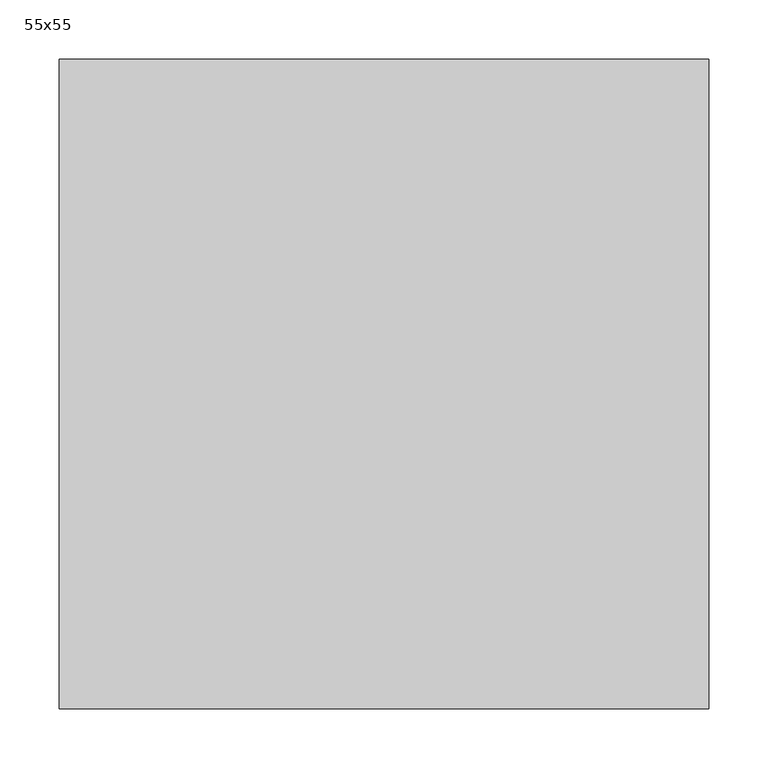
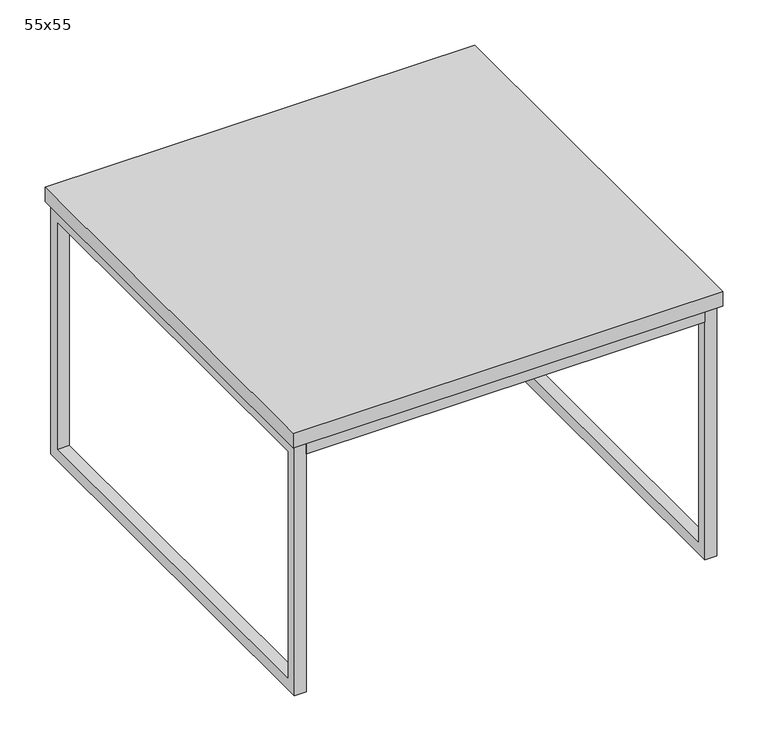
"""IFC4 building model written with IfcOpenShell, lengths in millimetres: furniture geometry, 55x55."""

import ifcopenshell
import ifcopenshell.guid

model = None  # the IFC model being written
_history = None  # IfcOwnerHistory: only IFC2X3 demands one
_inside = {}  # id of a spatial element -> (the spatial element, [elements in it])
_under = {}  # id of a project, library or spatial element -> (it, [spatial elements below it])
_declared = {}  # id of a project -> (the project, [libraries it declares])
_typed = {}  # id of a type object -> (the type object, [elements of that type])
_made_of = {}  # id of a material, layer set ... -> (it, [elements and type objects made of it])


def new_model(schema):
    """Start an empty IFC model of exactly this schema.

    Asked for "IFC4X3", IfcOpenShell would pick the latest addendum, in which some entities
    have other attributes; the version numbers below select the first issue.
    IFC2X3 requires an IfcOwnerHistory on every rooted entity: one is made here for all.
    """
    global model, _history
    if schema == "IFC4X3":
        model = ifcopenshell.file(schema_version=(4, 3, 0, 0))
    else:
        model = ifcopenshell.file(schema=schema)
    _inside.clear()
    _under.clear()
    _declared.clear()
    _typed.clear()
    _made_of.clear()
    _history = None
    if model.schema == "IFC2X3":
        org = make("IfcOrganization", Name="unknown")
        user = make(
            "IfcPersonAndOrganization",
            ThePerson=make("IfcPerson", FamilyName="unknown"),
            TheOrganization=org,
        )
        app = make(
            "IfcApplication",
            ApplicationDeveloper=org,
            Version="unknown",
            ApplicationFullName="unknown",
            ApplicationIdentifier="unknown",
        )
        _history = make(
            "IfcOwnerHistory",
            OwningUser=user,
            OwningApplication=app,
            ChangeAction="ADDED",
            CreationDate=0,
        )
    return model


def make(cls, **values):
    """One entity of the class cls with the attributes given. An attribute that is None is left unset."""
    return model.create_entity(
        cls, **{name: value for name, value in values.items() if value is not None}
    )


def rooted(cls, **values):
    """An entity with a GlobalId (a new one), such as an element, a storey or a relation."""
    return make(cls, GlobalId=ifcopenshell.guid.new(), OwnerHistory=_history, **values)


def si_unit(unit_type, name, prefix=None):
    """IfcSIUnit, for example si_unit("LENGTHUNIT", "METRE", prefix="MILLI")."""
    return make("IfcSIUnit", UnitType=unit_type, Prefix=prefix, Name=name)


def assignment(units):
    """IfcUnitAssignment: the units of a project."""
    return None if units is None else make("IfcUnitAssignment", Units=units)


def point(xyz):
    """IfcCartesianPoint."""
    return None if xyz is None else make("IfcCartesianPoint", Coordinates=xyz)


def direction(xyz):
    """IfcDirection."""
    return None if xyz is None else make("IfcDirection", DirectionRatios=xyz)


def frame(location, z_axis=None, x_axis=None):
    """IfcAxis2Placement3D, a coordinate frame: its origin and axes. An axis left out is left unset."""
    return make(
        "IfcAxis2Placement3D",
        Location=point(location),
        Axis=direction(z_axis),
        RefDirection=direction(x_axis),
    )


def frame_2d(location, x_axis=None):
    """IfcAxis2Placement2D, a coordinate frame in the plane: its origin and x axis."""
    return make(
        "IfcAxis2Placement2D", Location=point(location), RefDirection=direction(x_axis)
    )


def origin():
    """The frame at (0, 0, 0) with its axes left unset."""
    return frame((0.0, 0.0, 0.0))


def place(relative_to, where):
    """IfcLocalPlacement: puts the frame where relative to a parent placement (None: the world)."""
    return make(
        "IfcLocalPlacement", PlacementRelTo=relative_to, RelativePlacement=where
    )


def context(
    kind, dimensions, precision=None, world=None, true_north=None, identifier=None
):
    """IfcGeometricRepresentationContext, for example the 3D "Model" context."""
    return make(
        "IfcGeometricRepresentationContext",
        ContextIdentifier=identifier,
        ContextType=kind,
        CoordinateSpaceDimension=dimensions,
        Precision=precision,
        WorldCoordinateSystem=world,
        TrueNorth=true_north,
    )


def project(units=None, contexts=None):
    """IfcProject with its units and contexts."""
    return rooted(
        "IfcProject",
        Name="project",
        RepresentationContexts=contexts,
        UnitsInContext=assignment(units),
    )


def spatial(cls, under=None, at=None, **own):
    """A site, building, storey or space (cls), placed at a placement, below another one or the project."""
    s = rooted(cls, ObjectPlacement=at, **own)
    if under is not None:
        _under.setdefault(under.id(), (under, []))[1].append(s)
    return s


def polyline(points):
    """IfcPolyline through the points."""
    return make("IfcPolyline", Points=[point(p) for p in points])


def circle_curve(where, radius):
    """IfcCircle in the frame where."""
    return make("IfcCircle", Position=where, Radius=radius)


def trimmed(basis, trim1, trim2, sense, master):
    """IfcTrimmedCurve: the piece of a basis curve between two trims."""
    return make(
        "IfcTrimmedCurve",
        BasisCurve=basis,
        Trim1=trim1,
        Trim2=trim2,
        SenseAgreement=sense,
        MasterRepresentation=master,
    )


def segment(curve, same_sense, transition):
    """IfcCompositeCurveSegment."""
    return make(
        "IfcCompositeCurveSegment",
        Transition=transition,
        SameSense=same_sense,
        ParentCurve=curve,
    )


def composite_curve(segments, self_intersect=None):
    """IfcCompositeCurve: segments joined end to end."""
    return make("IfcCompositeCurve", Segments=segments, SelfIntersect=self_intersect)


def outline(outer, holes=None, kind="AREA"):
    """IfcArbitraryClosedProfileDef: a profile drawn as a closed curve; with holes, ...WithVoids."""
    if holes is None:
        return make("IfcArbitraryClosedProfileDef", ProfileType=kind, OuterCurve=outer)
    return make(
        "IfcArbitraryProfileDefWithVoids",
        ProfileType=kind,
        OuterCurve=outer,
        InnerCurves=holes,
    )


def extrude(swept, where, along, depth):
    """IfcExtrudedAreaSolid: the profile swept, set in the frame where, extruded along a direction by depth."""
    return make(
        "IfcExtrudedAreaSolid",
        SweptArea=swept,
        Position=where,
        ExtrudedDirection=direction(along),
        Depth=depth,
    )


def shape(context_of_items, identifier, shape_type, items):
    """IfcShapeRepresentation: the items that make up one representation, for example the "Body"."""
    return make(
        "IfcShapeRepresentation",
        ContextOfItems=context_of_items,
        RepresentationIdentifier=identifier,
        RepresentationType=shape_type,
        Items=items,
    )


def source(mapping_origin, context_of_items, identifier, shape_type, items):
    """IfcRepresentationMap: a shape defined once, which mapped items show again and again."""
    return make(
        "IfcRepresentationMap",
        MappingOrigin=mapping_origin,
        MappedRepresentation=shape(context_of_items, identifier, shape_type, items),
    )


def transform(
    local_origin,
    x_axis=None,
    y_axis=None,
    z_axis=None,
    scale=None,
    scale2=None,
    scale3=None,
    uniform=True,
):
    """IfcCartesianTransformationOperator3D, or its non-uniform kind. x_axis, y_axis, z_axis: its Axis1, 2, 3."""
    if uniform:
        return make(
            "IfcCartesianTransformationOperator3D",
            Axis1=direction(x_axis),
            Axis2=direction(y_axis),
            LocalOrigin=point(local_origin),
            Scale=scale,
            Axis3=direction(z_axis),
        )
    return make(
        "IfcCartesianTransformationOperator3DnonUniform",
        Axis1=direction(x_axis),
        Axis2=direction(y_axis),
        LocalOrigin=point(local_origin),
        Scale=scale,
        Axis3=direction(z_axis),
        Scale2=scale2,
        Scale3=scale3,
    )


def mapped(mapping_source, mapping_target):
    """IfcMappedItem: shows the shape of a source again, moved by a transform."""
    return make(
        "IfcMappedItem", MappingSource=mapping_source, MappingTarget=mapping_target
    )


def made_of(thing, what):
    """Note that an element or type object is made of a material, layer set ...; save() writes the relation."""
    if what is not None:
        _made_of.setdefault(what.id(), (what, []))[1].append(thing)
    return thing


def element(
    cls,
    number,
    at=None,
    inside=None,
    cuts=None,
    type_object=None,
    material=None,
    context=None,
    identifier="Body",
    shape_type=None,
    held_by="IfcProductDefinitionShape",
    body=None,
    shapes=None,
    **own,
):
    """One element of the class cls, such as IfcWall. Its Tag is "e" and its number.

    at: its placement. inside: the storey or other place that contains it. cuts: it is an
    opening in that element (IfcRelVoidsElement). A single representation is given by context,
    identifier, shape_type and body (its items); several are given by shapes. held_by: the class
    of the entity that holds the representations. save() writes the other relations.
    """
    e = rooted(cls, Tag="e%d" % number, ObjectPlacement=at, **own)
    if body is not None:
        shapes = [shape(context, identifier, shape_type, body)]
    if shapes is not None:
        e.Representation = make(held_by, Representations=shapes)
    if inside is not None:
        _inside.setdefault(inside.id(), (inside, []))[1].append(e)
    if cuts is not None:
        rooted(
            "IfcRelVoidsElement", RelatingBuildingElement=cuts, RelatedOpeningElement=e
        )
    if type_object is not None:
        _typed.setdefault(type_object.id(), (type_object, []))[1].append(e)
    return made_of(e, material)


def aggregate(whole, parts):
    """IfcRelAggregates: a whole, such as a stair, and the parts it consists of."""
    return rooted("IfcRelAggregates", RelatingObject=whole, RelatedObjects=parts)


def save(model, path):
    """Write the relations noted so far, then the file.

    IfcRelAggregates (storeys below a building ...), IfcRelContainedInSpatialStructure (elements
    in a storey), IfcRelDefinesByType, IfcRelAssociatesMaterial and IfcRelDeclares: one each for
    every whole, place, type object, material and project.
    """
    for whole, parts in _under.values():
        aggregate(whole, parts)
    for where, things in _inside.values():
        rooted(
            "IfcRelContainedInSpatialStructure",
            RelatedElements=things,
            RelatingStructure=where,
        )
    for kind, things in _typed.values():
        rooted("IfcRelDefinesByType", RelatedObjects=things, RelatingType=kind)
    for what, things in _made_of.values():
        rooted("IfcRelAssociatesMaterial", RelatedObjects=things, RelatingMaterial=what)
    for by, libraries in _declared.values():
        rooted("IfcRelDeclares", RelatingContext=by, RelatedDefinitions=libraries)
    model.write(path)


def furniture_55x55_8dc0adb9(model_context):
    return source(origin(), model_context, "Body", "SweptSolid", [
        extrude(outline(composite_curve([segment(trimmed(circle_curve(frame_2d((82.55, -11.8295393)), 5.08), [point((77.47, -11.8295393))], [point((87.63, -11.8295393))], False, "CARTESIAN"), True, "CONTINUOUS"), segment(trimmed(circle_curve(frame_2d((82.55, -11.8295393)), 5.08), [point((87.63, -11.8295393))], [point((77.47, -11.8295393))], False, "CARTESIAN"), True, "CONTINUOUS")], self_intersect=False)), frame((0.0, 0.0, 336.8626582), z_axis=(0.0, 0.0, 1.0), x_axis=(1.0, 0.0, 0.0)), (0.0, 0.0, 1.0), 3.4530603),
        extrude(outline(composite_curve([segment(trimmed(circle_curve(frame_2d((82.55, -537.3661025)), 5.08), [point((77.47, -537.3661025))], [point((87.63, -537.3661025))], False, "CARTESIAN"), True, "CONTINUOUS"), segment(trimmed(circle_curve(frame_2d((82.55, -537.3661025)), 5.08), [point((87.63, -537.3661025))], [point((77.47, -537.3661025))], False, "CARTESIAN"), True, "CONTINUOUS")], self_intersect=False)), frame((0.0, 0.0, 336.8626582), z_axis=(0.0, 0.0, 1.0), x_axis=(1.0, 0.0, 0.0)), (0.0, 0.0, 1.0), 3.4530603),
        extrude(outline(composite_curve([segment(trimmed(circle_curve(frame_2d((467.45, -11.8295393)), 5.08), [point((462.37, -11.8295393))], [point((472.53, -11.8295393))], False, "CARTESIAN"), True, "CONTINUOUS"), segment(trimmed(circle_curve(frame_2d((467.45, -11.8295393)), 5.08), [point((472.53, -11.8295393))], [point((462.37, -11.8295393))], False, "CARTESIAN"), True, "CONTINUOUS")], self_intersect=False)), frame((0.0, 0.0, 336.8626582), z_axis=(0.0, 0.0, 1.0), x_axis=(1.0, 0.0, 0.0)), (0.0, 0.0, 1.0), 3.4530603),
        extrude(outline(composite_curve([segment(trimmed(circle_curve(frame_2d((467.45, -537.3661025)), 5.08), [point((462.37, -537.3661025))], [point((472.53, -537.3661025))], False, "CARTESIAN"), True, "CONTINUOUS"), segment(trimmed(circle_curve(frame_2d((467.45, -537.3661025)), 5.08), [point((472.53, -537.3661025))], [point((462.37, -537.3661025))], False, "CARTESIAN"), True, "CONTINUOUS")], self_intersect=False)), frame((0.0, 0.0, 336.8626582), z_axis=(0.0, 0.0, 1.0), x_axis=(1.0, 0.0, 0.0)), (0.0, 0.0, 1.0), 3.4530603),
        extrude(outline(composite_curve([segment(trimmed(circle_curve(frame_2d((275.0, -11.8295393)), 5.08), [point((269.92, -11.8295393))], [point((280.08, -11.8295393))], False, "CARTESIAN"), True, "CONTINUOUS"), segment(trimmed(circle_curve(frame_2d((275.0, -11.8295393)), 5.08), [point((280.08, -11.8295393))], [point((269.92, -11.8295393))], False, "CARTESIAN"), True, "CONTINUOUS")], self_intersect=False)), frame((0.0, 0.0, 336.8626582), z_axis=(0.0, 0.0, 1.0), x_axis=(1.0, 0.0, 0.0)), (0.0, 0.0, 1.0), 3.4530603),
        extrude(outline(composite_curve([segment(trimmed(circle_curve(frame_2d((275.0, -537.3661025)), 5.08), [point((269.92, -537.3661025))], [point((280.08, -537.3661025))], False, "CARTESIAN"), True, "CONTINUOUS"), segment(trimmed(circle_curve(frame_2d((275.0, -537.3661025)), 5.08), [point((280.08, -537.3661025))], [point((269.92, -537.3661025))], False, "CARTESIAN"), True, "CONTINUOUS")], self_intersect=False)), frame((0.0, 0.0, 336.8626582), z_axis=(0.0, 0.0, 1.0), x_axis=(1.0, 0.0, 0.0)), (0.0, 0.0, 1.0), 3.4530603),
        extrude(outline(composite_curve([segment(trimmed(circle_curve(frame_2d((12.2549749, -82.55)), 5.08), [point((7.1749749, -82.55))], [point((17.3349749, -82.55))], False, "CARTESIAN"), True, "CONTINUOUS"), segment(trimmed(circle_curve(frame_2d((12.2549749, -82.55)), 5.08), [point((17.3349749, -82.55))], [point((7.1749749, -82.55))], False, "CARTESIAN"), True, "CONTINUOUS")], self_intersect=False)), frame((0.0, 0.0, 336.8626582), z_axis=(0.0, 0.0, 1.0), x_axis=(1.0, 0.0, 0.0)), (0.0, 0.0, 1.0), 3.4530603),
        extrude(outline(composite_curve([segment(trimmed(circle_curve(frame_2d((12.2549749, -275.0)), 5.08), [point((7.1749749, -275.0))], [point((17.3349749, -275.0))], False, "CARTESIAN"), True, "CONTINUOUS"), segment(trimmed(circle_curve(frame_2d((12.2549749, -275.0)), 5.08), [point((17.3349749, -275.0))], [point((7.1749749, -275.0))], False, "CARTESIAN"), True, "CONTINUOUS")], self_intersect=False)), frame((0.0, 0.0, 336.8626582), z_axis=(0.0, 0.0, 1.0), x_axis=(1.0, 0.0, 0.0)), (0.0, 0.0, 1.0), 3.4530603),
        extrude(outline(composite_curve([segment(trimmed(circle_curve(frame_2d((12.2549749, -467.45)), 5.08), [point((7.1749749, -467.45))], [point((17.3349749, -467.45))], False, "CARTESIAN"), True, "CONTINUOUS"), segment(trimmed(circle_curve(frame_2d((12.2549749, -467.45)), 5.08), [point((17.3349749, -467.45))], [point((7.1749749, -467.45))], False, "CARTESIAN"), True, "CONTINUOUS")], self_intersect=False)), frame((0.0, 0.0, 336.8626582), z_axis=(0.0, 0.0, 1.0), x_axis=(1.0, 0.0, 0.0)), (0.0, 0.0, 1.0), 3.4530603),
        extrude(outline(composite_curve([segment(trimmed(circle_curve(frame_2d((537.8490251, -82.55)), 5.08), [point((532.7690251, -82.55))], [point((542.9290251, -82.55))], False, "CARTESIAN"), True, "CONTINUOUS"), segment(trimmed(circle_curve(frame_2d((537.8490251, -82.55)), 5.08), [point((542.9290251, -82.55))], [point((532.7690251, -82.55))], False, "CARTESIAN"), True, "CONTINUOUS")], self_intersect=False)), frame((0.0, 0.0, 336.8626582), z_axis=(0.0, 0.0, 1.0), x_axis=(1.0, 0.0, 0.0)), (0.0, 0.0, 1.0), 3.4530603),
        extrude(outline(composite_curve([segment(trimmed(circle_curve(frame_2d((537.8490251, -275.0)), 5.08), [point((532.7690251, -275.0))], [point((542.9290251, -275.0))], False, "CARTESIAN"), True, "CONTINUOUS"), segment(trimmed(circle_curve(frame_2d((537.8490251, -275.0)), 5.08), [point((542.9290251, -275.0))], [point((532.7690251, -275.0))], False, "CARTESIAN"), True, "CONTINUOUS")], self_intersect=False)), frame((0.0, 0.0, 336.8626582), z_axis=(0.0, 0.0, 1.0), x_axis=(1.0, 0.0, 0.0)), (0.0, 0.0, 1.0), 3.4530603),
        extrude(outline(composite_curve([segment(trimmed(circle_curve(frame_2d((537.8490251, -467.45)), 5.08), [point((532.7690251, -467.45))], [point((542.9290251, -467.45))], False, "CARTESIAN"), True, "CONTINUOUS"), segment(trimmed(circle_curve(frame_2d((537.8490251, -467.45)), 5.08), [point((542.9290251, -467.45))], [point((532.7690251, -467.45))], False, "CARTESIAN"), True, "CONTINUOUS")], self_intersect=False)), frame((0.0, 0.0, 336.8626582), z_axis=(0.0, 0.0, 1.0), x_axis=(1.0, 0.0, 0.0)), (0.0, 0.0, 1.0), 3.4530603),
        extrude(outline(polyline([(530.219228, -4.2938053), (530.219228, -19.2935438), (19.780772, -19.2935438), (19.780772, -4.2938053), (530.219228, -4.2938053)])), frame((0.0, 0.0, 321.8629197), z_axis=(0.0, 0.0, 1.0), x_axis=(1.0, 0.0, 0.0)), (0.0, 0.0, 1.0), 14.9997385),
        extrude(outline(polyline([(530.219228, -529.4321784), (530.219228, -544.4319169), (19.780772, -544.4319169), (19.780772, -529.4321784), (530.219228, -529.4321784)])), frame((0.0, 0.0, 321.8629197), z_axis=(0.0, 0.0, 1.0), x_axis=(1.0, 0.0, 0.0)), (0.0, 0.0, 1.0), 14.9997385),
        extrude(outline(polyline([(-544.4319169, 336.8626582), (-4.2938053, 336.8626582), (-4.2938053, 0.0), (-544.4319169, 0.0), (-544.4319169, 336.8626582)]), holes=[polyline([(-529.4321784, 14.9997385), (-19.2935438, 14.9997385), (-19.2935438, 321.8629197), (-529.4321784, 321.8629197), (-529.4321784, 14.9997385)])]), frame((530.219228, 0.0, 0.0), z_axis=(1.0, 0.0, 0.0), x_axis=(0.0, 1.0, 0.0)), (0.0, 0.0, 1.0), 15.0515942),
        extrude(outline(polyline([(-544.4319169, 336.8626582), (-4.2938053, 336.8626582), (-4.2938053, 0.0), (-544.4319169, 0.0), (-544.4319169, 336.8626582)]), holes=[polyline([(-529.4321784, 14.9997385), (-19.2935438, 14.9997385), (-19.2935438, 321.8629197), (-529.4321784, 321.8629197), (-529.4321784, 14.9997385)])]), frame((4.7291778, 0.0, 0.0), z_axis=(1.0, 0.0, 0.0), x_axis=(0.0, 1.0, 0.0)), (0.0, 0.0, 1.0), 15.0515942),
        extrude(outline(polyline([(550.0, 0.0), (550.0, -550.0), (0.0, -550.0), (0.0, 0.0), (550.0, 0.0)])), frame((0.0, 0.0, 340.3157185), z_axis=(0.0, 0.0, 1.0), x_axis=(1.0, 0.0, 0.0)), (0.0, 0.0, 1.0), 19.6842815),
    ])


if __name__ == "__main__":
    model = new_model("IFC4")
    model_context = context("Model", 3, world=origin())
    ifc_project = project(units=[si_unit("LENGTHUNIT", "METRE", prefix="MILLI")], contexts=[model_context])
    site = spatial("IfcSite", under=ifc_project)
    building = spatial("IfcBuilding", under=site)
    placement = place(None, origin())
    furniture_55x55_shape = furniture_55x55_8dc0adb9(model_context)
    element("IfcFurniture", 1, ObjectType="55x55", at=placement, inside=building, context=model_context, shape_type="MappedRepresentation", body=[
        mapped(furniture_55x55_shape, transform((0.0, 0.0, 0.0), x_axis=(1.0, 0.0, 0.0), y_axis=(0.0, 1.0, 0.0), z_axis=(0.0, 0.0, 1.0))),
    ])
    save(model, "model.ifc")
